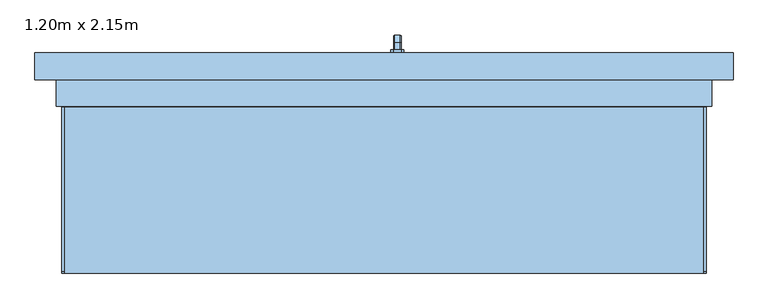
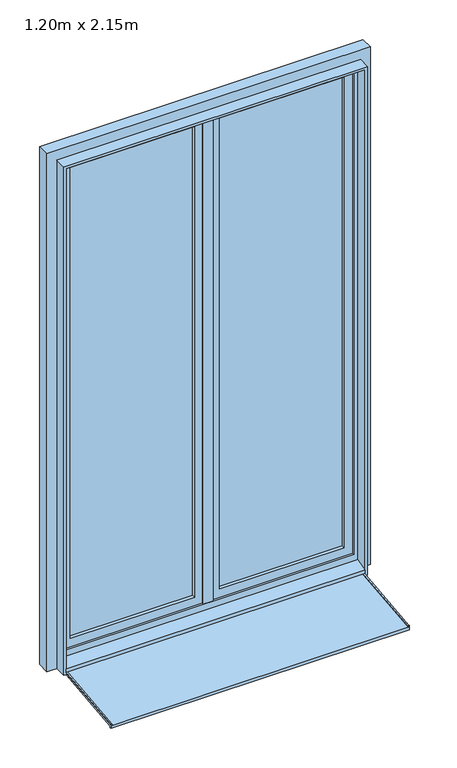
"""IFC4 building model written with IfcOpenShell, lengths in millimetres: window geometry, 1.20m x 2.15m."""

from ifc_helpers import new_model, si_unit, point, frame, frame_2d, origin, place, context, project, spatial, polyline, circle_curve, trimmed, segment, composite_curve, outline, extrude, faceted_brep, source, transform, mapped, element, save


def window_1_20m_x_2_15m_ff7cd6d9(model_context):
    return source(origin(), model_context, "Body", "SolidModel", [
        faceted_brep([(30.6460097, 206.0, 1122.0339292), (19.3539903, 206.0, 1122.0339292), (17.9660708, 206.0, 1120.6460097), (17.9660708, 206.0, 1109.3323012), (19.3323012, 206.0, 1107.9660708), (30.6676988, 206.0, 1107.9660708), (32.0339292, 206.0, 1109.3323012), (32.0339292, 206.0, 1120.6460097), (32.0339292, 218.3386538, 1120.6460097), (30.6460097, 218.9135489, 1122.0339292), (32.0339292, 213.6523623, 1109.3323012), (32.0339292, 220.3323012, 1102.6523623), (32.0339292, 220.3323012, 1020.0), (32.0339292, 231.6460097, 1020.0), (32.0339292, 231.6460097, 1107.3386538), (30.6676988, 213.0864511, 1107.9660708), (19.3323012, 213.0864511, 1107.9660708), (17.9660708, 213.6523623, 1109.3323012), (17.9660708, 218.3386538, 1120.6460097), (17.9660708, 231.6460097, 1107.3386538), (17.9660708, 231.6460097, 1020.0), (17.9660708, 220.3323012, 1020.0), (17.9660708, 220.3323012, 1102.6523623), (19.3539903, 218.9135489, 1122.0339292), (30.6460097, 233.0339292, 1107.9135489), (30.6676988, 218.9660708, 1102.0864511), (19.3323012, 218.9660708, 1102.0864511), (19.3539903, 233.0339292, 1107.9135489), (30.6460097, 233.0339292, 1020.0), (30.6676988, 218.9660708, 1020.0), (19.3323012, 218.9660708, 1020.0), (19.3539903, 233.0339292, 1020.0)], [[[0, 1, 2, 3, 4, 5, 6, 7]], [[7, 8, 9, 0]], [[6, 10, 11, 12, 13, 14, 8, 7]], [[5, 15, 10, 6]], [[4, 16, 15, 5]], [[3, 17, 16, 4]], [[2, 18, 19, 20, 21, 22, 17, 3]], [[1, 23, 18, 2]], [[0, 9, 23, 1]], [[8, 14, 24, 9]], [[15, 25, 11, 10]], [[16, 26, 25, 15]], [[17, 22, 26, 16]], [[23, 27, 19, 18]], [[9, 24, 27, 23]], [[28, 13, 12, 29, 30, 21, 20, 31]], [[14, 13, 28, 24]], [[25, 29, 12, 11]], [[26, 30, 29, 25]], [[22, 21, 30, 26]], [[27, 31, 20, 19]], [[24, 28, 31, 27]]]),
        extrude(outline(polyline([(1140.0, 32.0), (1140.0, 18.0), (1135.0, 13.0), (1065.0, 13.0), (1060.0, 18.0), (1060.0, 32.0), (1065.0, 37.0), (1135.0, 37.0), (1140.0, 32.0)])), frame((0.0, 200.0, 0.0), z_axis=(0.0, 1.0, 0.0), x_axis=(0.0, 0.0, 1.0)), (0.0, 0.0, 1.0), 6.0),
        extrude(outline(polyline([(-210.0288776, 5.567779), (115.0, 39.7296906), (115.0, 50.0), (120.0, 50.0), (120.0, 35.0), (-205.0288776, 0.8380884), (-205.0288776, -4.9849024), (-210.0288776, -5.5104235), (-210.0288776, 5.567779)])), frame((-600.0, 0.0, 0.0), z_axis=(1.0, 0.0, 0.0), x_axis=(0.0, 1.0, 0.0)), (0.0, 0.0, 1.0), 1200.0),
        extrude(outline(composite_curve([segment(polyline([(-210.0288776, 5.567779), (-210.0288776, 6.9937042)]), True, "CONTINUOUS"), segment(trimmed(circle_curve(frame_2d((-206.0288776, 6.9937042)), 4.0), [point((-210.0288776, 6.9937042))], [point((-206.4469915, 10.9717918))], False, "CARTESIAN"), True, "CONTINUOUS"), segment(polyline([(-206.4469915, 10.9717918), (115.0, 44.757232), (115.0, 39.7296906), (-210.0288776, 5.567779)]), True, "CONTINUOUS")], self_intersect=False)), frame((-600.0, 0.0, 0.0), z_axis=(1.0, 0.0, 0.0), x_axis=(0.0, 1.0, 0.0)), (0.0, 0.0, 1.0), 5.0),
        extrude(outline(composite_curve([segment(polyline([(-210.0288776, 5.567779), (-210.0288776, 6.9937042)]), True, "CONTINUOUS"), segment(trimmed(circle_curve(frame_2d((-206.0288776, 6.9937042)), 4.0), [point((-210.0288776, 6.9937042))], [point((-206.4469915, 10.9717918))], False, "CARTESIAN"), True, "CONTINUOUS"), segment(polyline([(-206.4469915, 10.9717918), (115.0, 44.757232), (115.0, 39.7296906), (-210.0288776, 5.567779)]), True, "CONTINUOUS")], self_intersect=False)), frame((595.0, 0.0, 0.0), z_axis=(1.0, 0.0, 0.0), x_axis=(0.0, 1.0, 0.0)), (0.0, 0.0, 1.0), 5.0),
        extrude(outline(polyline([(85.0, -600.0), (85.0, 0.0), (2185.0, 0.0), (2185.0, -600.0), (85.0, -600.0)]), holes=[polyline([(135.0, -50.0), (135.0, -550.0), (2135.0, -550.0), (2135.0, -50.0), (135.0, -50.0)])]), frame((0.0, 160.0, 0.0), z_axis=(0.0, 1.0, 0.0), x_axis=(0.0, 0.0, 1.0)), (0.0, 0.0, 1.0), 40.0),
        extrude(outline(polyline([(50.0, 174.0), (50.0, 186.0), (550.0, 186.0), (550.0, 174.0), (50.0, 174.0)])), frame((0.0, 0.0, 135.0), z_axis=(0.0, 0.0, 1.0), x_axis=(1.0, 0.0, 0.0)), (0.0, 0.0, 1.0), 2000.0),
        extrude(outline(polyline([(-550.0, 174.0), (-550.0, 186.0), (-50.0, 186.0), (-50.0, 174.0), (-550.0, 174.0)])), frame((0.0, 0.0, 135.0), z_axis=(0.0, 0.0, 1.0), x_axis=(1.0, 0.0, 0.0)), (0.0, 0.0, 1.0), 2000.0),
        extrude(outline(polyline([(85.0, 0.0), (85.0, 600.0), (2185.0, 600.0), (2185.0, 0.0), (85.0, 0.0)]), holes=[polyline([(135.0, 550.0), (135.0, 50.0), (2135.0, 50.0), (2135.0, 550.0), (135.0, 550.0)])]), frame((0.0, 160.0, 0.0), z_axis=(0.0, 1.0, 0.0), x_axis=(0.0, 0.0, 1.0)), (0.0, 0.0, 1.0), 40.0),
        faceted_brep([(-650.0, 200.0, 35.0), (650.0, 200.0, 35.0), (650.0, 150.0, 35.0), (600.0, 150.0, 35.0), (600.0, 120.0, 35.0), (-600.0, 120.0, 35.0), (-600.0, 150.0, 35.0), (-650.0, 150.0, 35.0), (-650.0, 150.0, 2235.0), (-650.0, 200.0, 2235.0), (-600.0, 150.0, 74.3761425), (600.0, 150.0, 74.3761425), (650.0, 150.0, 2235.0), (-585.0, 150.0, 2170.0), (585.0, 150.0, 2170.0), (585.0, 150.0, 100.0), (-585.0, 150.0, 100.0), (-600.0, 120.0, 50.0), (-600.0, 110.0, 50.0), (-600.0, 110.0, 45.0), (-600.0, 100.0, 45.0), (-600.0, 100.0, 60.9786829), (600.0, 120.0, 50.0), (600.0, 100.0, 60.9786829), (600.0, 100.0, 45.0), (600.0, 110.0, 45.0), (600.0, 110.0, 50.0), (650.0, 200.0, 2235.0), (600.0, 200.0, 2185.0), (-600.0, 200.0, 2185.0), (-600.0, 200.0, 85.0), (600.0, 200.0, 85.0), (-585.0, 160.0, 100.0), (-585.0, 160.0, 2170.0), (585.0, 160.0, 100.0), (585.0, 160.0, 2170.0), (600.0, 160.0, 2185.0), (600.0, 160.0, 85.0), (-600.0, 160.0, 85.0), (-600.0, 160.0, 2185.0)], [[[0, 1, 2, 3, 4, 5, 6, 7]], [[7, 8, 9, 0]], [[7, 6, 10, 11, 3, 2, 12, 8], [13, 14, 15, 16]], [[10, 6, 5, 17, 18, 19, 20, 21]], [[5, 4, 22, 17]], [[4, 3, 11, 23, 24, 25, 26, 22]], [[2, 1, 27, 12]], [[0, 9, 27, 1], [28, 29, 30, 31]], [[13, 16, 32, 33]], [[32, 16, 15, 34]], [[35, 34, 15, 14]], [[21, 23, 11, 10]], [[36, 37, 38, 39], [33, 32, 34, 35]], [[38, 30, 29, 39]], [[30, 38, 37, 31]], [[28, 31, 37, 36]], [[20, 24, 23, 21]], [[19, 25, 24, 20]], [[18, 26, 25, 19]], [[17, 22, 26, 18]], [[13, 33, 35, 14]], [[39, 29, 28, 36]], [[12, 27, 9, 8]]]),
        extrude(outline(polyline([(35.0, -600.0), (2185.0, -600.0), (2185.0, 600.0), (35.0, 600.0), (35.0, 610.0), (2195.0, 610.0), (2195.0, -610.0), (35.0, -610.0), (35.0, -600.0)])), frame((0.0, 100.0, 0.0), z_axis=(0.0, 1.0, 0.0), x_axis=(0.0, 0.0, 1.0)), (0.0, 0.0, 1.0), 50.0),
        extrude(outline(polyline([(20.0, 152.0), (-20.0, 152.0), (-20.0, 160.0), (20.0, 160.0), (20.0, 152.0)])), frame((0.0, 0.0, 100.0), z_axis=(0.0, 0.0, 1.0), x_axis=(1.0, 0.0, 0.0)), (0.0, 0.0, 1.0), 2070.0),
    ])


if __name__ == "__main__":
    model = new_model("IFC4")
    model_context = context("Model", 3, world=origin())
    ifc_project = project(units=[si_unit("LENGTHUNIT", "METRE", prefix="MILLI")], contexts=[model_context])
    site = spatial("IfcSite", under=ifc_project)
    building = spatial("IfcBuilding", under=site)
    placement = place(None, origin())
    window_1_20m_x_2_15m_shape = window_1_20m_x_2_15m_ff7cd6d9(model_context)
    element("IfcWindow", 1, ObjectType="1.20m x 2.15m", at=placement, inside=building, context=model_context, shape_type="MappedRepresentation", body=[
        mapped(window_1_20m_x_2_15m_shape, transform((0.0, 0.0, 0.0), x_axis=(1.0, 0.0, 0.0), y_axis=(0.0, 1.0, 0.0), z_axis=(0.0, 0.0, 1.0))),
    ])
    save(model, "model.ifc")
